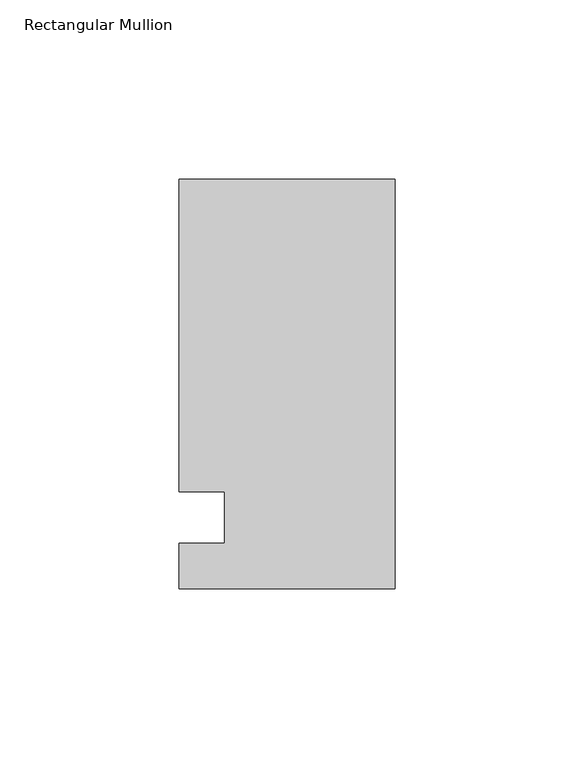
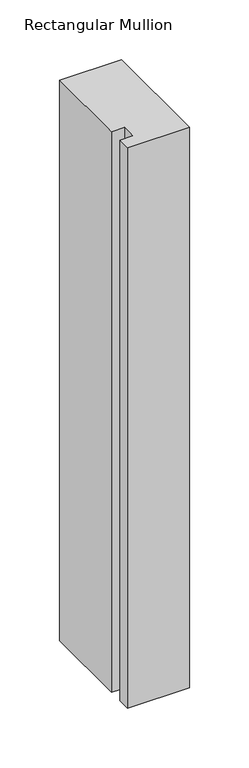
"""IFC4 building model written with IfcOpenShell, lengths in millimetres: member geometry, Rectangular Mullion."""

import ifcopenshell
import ifcopenshell.guid

model = None  # the IFC model being written
_history = None  # IfcOwnerHistory: only IFC2X3 demands one
_inside = {}  # id of a spatial element -> (the spatial element, [elements in it])
_under = {}  # id of a project, library or spatial element -> (it, [spatial elements below it])
_declared = {}  # id of a project -> (the project, [libraries it declares])
_typed = {}  # id of a type object -> (the type object, [elements of that type])
_made_of = {}  # id of a material, layer set ... -> (it, [elements and type objects made of it])


def new_model(schema):
    """Start an empty IFC model of exactly this schema.

    Asked for "IFC4X3", IfcOpenShell would pick the latest addendum, in which some entities
    have other attributes; the version numbers below select the first issue.
    IFC2X3 requires an IfcOwnerHistory on every rooted entity: one is made here for all.
    """
    global model, _history
    if schema == "IFC4X3":
        model = ifcopenshell.file(schema_version=(4, 3, 0, 0))
    else:
        model = ifcopenshell.file(schema=schema)
    _inside.clear()
    _under.clear()
    _declared.clear()
    _typed.clear()
    _made_of.clear()
    _history = None
    if model.schema == "IFC2X3":
        org = make("IfcOrganization", Name="unknown")
        user = make(
            "IfcPersonAndOrganization",
            ThePerson=make("IfcPerson", FamilyName="unknown"),
            TheOrganization=org,
        )
        app = make(
            "IfcApplication",
            ApplicationDeveloper=org,
            Version="unknown",
            ApplicationFullName="unknown",
            ApplicationIdentifier="unknown",
        )
        _history = make(
            "IfcOwnerHistory",
            OwningUser=user,
            OwningApplication=app,
            ChangeAction="ADDED",
            CreationDate=0,
        )
    return model


def make(cls, **values):
    """One entity of the class cls with the attributes given. An attribute that is None is left unset."""
    return model.create_entity(
        cls, **{name: value for name, value in values.items() if value is not None}
    )


def rooted(cls, **values):
    """An entity with a GlobalId (a new one), such as an element, a storey or a relation."""
    return make(cls, GlobalId=ifcopenshell.guid.new(), OwnerHistory=_history, **values)


def si_unit(unit_type, name, prefix=None):
    """IfcSIUnit, for example si_unit("LENGTHUNIT", "METRE", prefix="MILLI")."""
    return make("IfcSIUnit", UnitType=unit_type, Prefix=prefix, Name=name)


def assignment(units):
    """IfcUnitAssignment: the units of a project."""
    return None if units is None else make("IfcUnitAssignment", Units=units)


def point(xyz):
    """IfcCartesianPoint."""
    return None if xyz is None else make("IfcCartesianPoint", Coordinates=xyz)


def direction(xyz):
    """IfcDirection."""
    return None if xyz is None else make("IfcDirection", DirectionRatios=xyz)


def frame(location, z_axis=None, x_axis=None):
    """IfcAxis2Placement3D, a coordinate frame: its origin and axes. An axis left out is left unset."""
    return make(
        "IfcAxis2Placement3D",
        Location=point(location),
        Axis=direction(z_axis),
        RefDirection=direction(x_axis),
    )


def origin():
    """The frame at (0, 0, 0) with its axes left unset."""
    return frame((0.0, 0.0, 0.0))


def place(relative_to, where):
    """IfcLocalPlacement: puts the frame where relative to a parent placement (None: the world)."""
    return make(
        "IfcLocalPlacement", PlacementRelTo=relative_to, RelativePlacement=where
    )


def context(
    kind, dimensions, precision=None, world=None, true_north=None, identifier=None
):
    """IfcGeometricRepresentationContext, for example the 3D "Model" context."""
    return make(
        "IfcGeometricRepresentationContext",
        ContextIdentifier=identifier,
        ContextType=kind,
        CoordinateSpaceDimension=dimensions,
        Precision=precision,
        WorldCoordinateSystem=world,
        TrueNorth=true_north,
    )


def project(units=None, contexts=None):
    """IfcProject with its units and contexts."""
    return rooted(
        "IfcProject",
        Name="project",
        RepresentationContexts=contexts,
        UnitsInContext=assignment(units),
    )


def spatial(cls, under=None, at=None, **own):
    """A site, building, storey or space (cls), placed at a placement, below another one or the project."""
    s = rooted(cls, ObjectPlacement=at, **own)
    if under is not None:
        _under.setdefault(under.id(), (under, []))[1].append(s)
    return s


def polyline(points):
    """IfcPolyline through the points."""
    return make("IfcPolyline", Points=[point(p) for p in points])


def outline(outer, holes=None, kind="AREA"):
    """IfcArbitraryClosedProfileDef: a profile drawn as a closed curve; with holes, ...WithVoids."""
    if holes is None:
        return make("IfcArbitraryClosedProfileDef", ProfileType=kind, OuterCurve=outer)
    return make(
        "IfcArbitraryProfileDefWithVoids",
        ProfileType=kind,
        OuterCurve=outer,
        InnerCurves=holes,
    )


def extrude(swept, where, along, depth):
    """IfcExtrudedAreaSolid: the profile swept, set in the frame where, extruded along a direction by depth."""
    return make(
        "IfcExtrudedAreaSolid",
        SweptArea=swept,
        Position=where,
        ExtrudedDirection=direction(along),
        Depth=depth,
    )


def shape(context_of_items, identifier, shape_type, items):
    """IfcShapeRepresentation: the items that make up one representation, for example the "Body"."""
    return make(
        "IfcShapeRepresentation",
        ContextOfItems=context_of_items,
        RepresentationIdentifier=identifier,
        RepresentationType=shape_type,
        Items=items,
    )


def source(mapping_origin, context_of_items, identifier, shape_type, items):
    """IfcRepresentationMap: a shape defined once, which mapped items show again and again."""
    return make(
        "IfcRepresentationMap",
        MappingOrigin=mapping_origin,
        MappedRepresentation=shape(context_of_items, identifier, shape_type, items),
    )


def transform(
    local_origin,
    x_axis=None,
    y_axis=None,
    z_axis=None,
    scale=None,
    scale2=None,
    scale3=None,
    uniform=True,
):
    """IfcCartesianTransformationOperator3D, or its non-uniform kind. x_axis, y_axis, z_axis: its Axis1, 2, 3."""
    if uniform:
        return make(
            "IfcCartesianTransformationOperator3D",
            Axis1=direction(x_axis),
            Axis2=direction(y_axis),
            LocalOrigin=point(local_origin),
            Scale=scale,
            Axis3=direction(z_axis),
        )
    return make(
        "IfcCartesianTransformationOperator3DnonUniform",
        Axis1=direction(x_axis),
        Axis2=direction(y_axis),
        LocalOrigin=point(local_origin),
        Scale=scale,
        Axis3=direction(z_axis),
        Scale2=scale2,
        Scale3=scale3,
    )


def mapped(mapping_source, mapping_target):
    """IfcMappedItem: shows the shape of a source again, moved by a transform."""
    return make(
        "IfcMappedItem", MappingSource=mapping_source, MappingTarget=mapping_target
    )


def made_of(thing, what):
    """Note that an element or type object is made of a material, layer set ...; save() writes the relation."""
    if what is not None:
        _made_of.setdefault(what.id(), (what, []))[1].append(thing)
    return thing


def element(
    cls,
    number,
    at=None,
    inside=None,
    cuts=None,
    type_object=None,
    material=None,
    context=None,
    identifier="Body",
    shape_type=None,
    held_by="IfcProductDefinitionShape",
    body=None,
    shapes=None,
    **own,
):
    """One element of the class cls, such as IfcWall. Its Tag is "e" and its number.

    at: its placement. inside: the storey or other place that contains it. cuts: it is an
    opening in that element (IfcRelVoidsElement). A single representation is given by context,
    identifier, shape_type and body (its items); several are given by shapes. held_by: the class
    of the entity that holds the representations. save() writes the other relations.
    """
    e = rooted(cls, Tag="e%d" % number, ObjectPlacement=at, **own)
    if body is not None:
        shapes = [shape(context, identifier, shape_type, body)]
    if shapes is not None:
        e.Representation = make(held_by, Representations=shapes)
    if inside is not None:
        _inside.setdefault(inside.id(), (inside, []))[1].append(e)
    if cuts is not None:
        rooted(
            "IfcRelVoidsElement", RelatingBuildingElement=cuts, RelatedOpeningElement=e
        )
    if type_object is not None:
        _typed.setdefault(type_object.id(), (type_object, []))[1].append(e)
    return made_of(e, material)


def aggregate(whole, parts):
    """IfcRelAggregates: a whole, such as a stair, and the parts it consists of."""
    return rooted("IfcRelAggregates", RelatingObject=whole, RelatedObjects=parts)


def save(model, path):
    """Write the relations noted so far, then the file.

    IfcRelAggregates (storeys below a building ...), IfcRelContainedInSpatialStructure (elements
    in a storey), IfcRelDefinesByType, IfcRelAssociatesMaterial and IfcRelDeclares: one each for
    every whole, place, type object, material and project.
    """
    for whole, parts in _under.values():
        aggregate(whole, parts)
    for where, things in _inside.values():
        rooted(
            "IfcRelContainedInSpatialStructure",
            RelatedElements=things,
            RelatingStructure=where,
        )
    for kind, things in _typed.values():
        rooted("IfcRelDefinesByType", RelatedObjects=things, RelatingType=kind)
    for what, things in _made_of.values():
        rooted("IfcRelAssociatesMaterial", RelatedObjects=things, RelatingMaterial=what)
    for by, libraries in _declared.values():
        rooted("IfcRelDeclares", RelatingContext=by, RelatedDefinitions=libraries)
    model.write(path)


def rectangular_mullion_598ddc49(model_context):
    return source(origin(), model_context, "Body", "SweptSolid", [
        extrude(outline(polyline([(-60.325, 94.45625), (0.0, 94.45625), (0.0, -19.84375), (-60.325, -19.84375), (-60.325, -7.14375), (-47.6232296, -7.14375), (-47.6232296, 7.14375), (-60.325, 7.14375), (-60.325, 94.45625)])), frame((0.0, 0.0, -574.675), z_axis=(0.0, 0.0, 1.0), x_axis=(1.0, 0.0, 0.0)), (0.0, 0.0, 1.0), 574.675),
    ])


if __name__ == "__main__":
    model = new_model("IFC4")
    model_context = context("Model", 3, world=origin())
    ifc_project = project(units=[si_unit("LENGTHUNIT", "METRE", prefix="MILLI")], contexts=[model_context])
    site = spatial("IfcSite", under=ifc_project)
    building = spatial("IfcBuilding", under=site)
    placement = place(None, origin())
    rectangular_mullion_shape = rectangular_mullion_598ddc49(model_context)
    element("IfcMember", 1, ObjectType="Rectangular Mullion", at=placement, inside=building, context=model_context, shape_type="MappedRepresentation", body=[
        mapped(rectangular_mullion_shape, transform((0.0, 0.0, 0.0), x_axis=(1.0, 0.0, 0.0), y_axis=(0.0, 1.0, 0.0), z_axis=(0.0, 0.0, 1.0))),
    ])
    save(model, "model.ifc")
